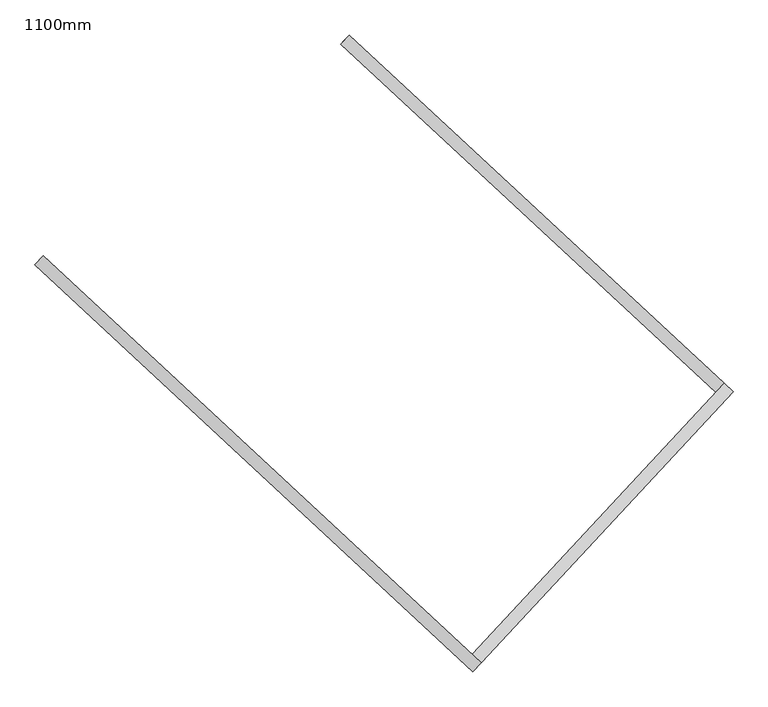
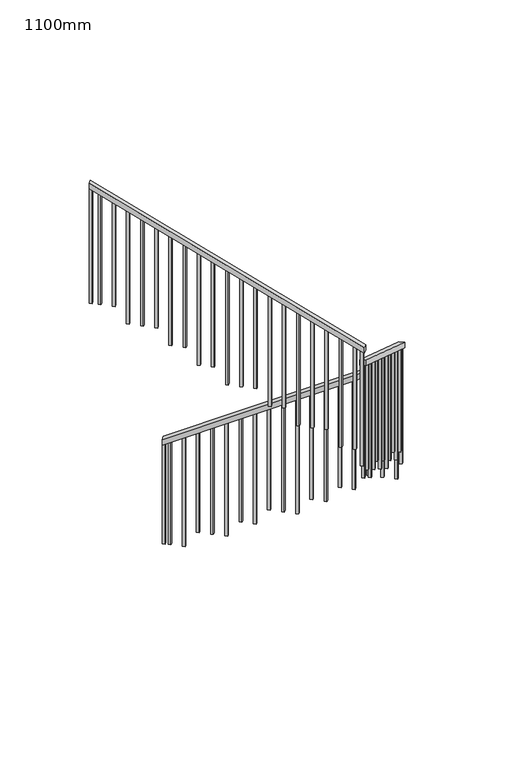
"""IFC4 building model written with IfcOpenShell, lengths in millimetres: railing geometry, 1100mm."""

import ifcopenshell
import ifcopenshell.guid

model = None  # the IFC model being written
_history = None  # IfcOwnerHistory: only IFC2X3 demands one
_inside = {}  # id of a spatial element -> (the spatial element, [elements in it])
_under = {}  # id of a project, library or spatial element -> (it, [spatial elements below it])
_declared = {}  # id of a project -> (the project, [libraries it declares])
_typed = {}  # id of a type object -> (the type object, [elements of that type])
_made_of = {}  # id of a material, layer set ... -> (it, [elements and type objects made of it])


def new_model(schema):
    """Start an empty IFC model of exactly this schema.

    Asked for "IFC4X3", IfcOpenShell would pick the latest addendum, in which some entities
    have other attributes; the version numbers below select the first issue.
    IFC2X3 requires an IfcOwnerHistory on every rooted entity: one is made here for all.
    """
    global model, _history
    if schema == "IFC4X3":
        model = ifcopenshell.file(schema_version=(4, 3, 0, 0))
    else:
        model = ifcopenshell.file(schema=schema)
    _inside.clear()
    _under.clear()
    _declared.clear()
    _typed.clear()
    _made_of.clear()
    _history = None
    if model.schema == "IFC2X3":
        org = make("IfcOrganization", Name="unknown")
        user = make(
            "IfcPersonAndOrganization",
            ThePerson=make("IfcPerson", FamilyName="unknown"),
            TheOrganization=org,
        )
        app = make(
            "IfcApplication",
            ApplicationDeveloper=org,
            Version="unknown",
            ApplicationFullName="unknown",
            ApplicationIdentifier="unknown",
        )
        _history = make(
            "IfcOwnerHistory",
            OwningUser=user,
            OwningApplication=app,
            ChangeAction="ADDED",
            CreationDate=0,
        )
    return model


def make(cls, **values):
    """One entity of the class cls with the attributes given. An attribute that is None is left unset."""
    return model.create_entity(
        cls, **{name: value for name, value in values.items() if value is not None}
    )


def rooted(cls, **values):
    """An entity with a GlobalId (a new one), such as an element, a storey or a relation."""
    return make(cls, GlobalId=ifcopenshell.guid.new(), OwnerHistory=_history, **values)


def si_unit(unit_type, name, prefix=None):
    """IfcSIUnit, for example si_unit("LENGTHUNIT", "METRE", prefix="MILLI")."""
    return make("IfcSIUnit", UnitType=unit_type, Prefix=prefix, Name=name)


def assignment(units):
    """IfcUnitAssignment: the units of a project."""
    return None if units is None else make("IfcUnitAssignment", Units=units)


def point(xyz):
    """IfcCartesianPoint."""
    return None if xyz is None else make("IfcCartesianPoint", Coordinates=xyz)


def direction(xyz):
    """IfcDirection."""
    return None if xyz is None else make("IfcDirection", DirectionRatios=xyz)


def frame(location, z_axis=None, x_axis=None):
    """IfcAxis2Placement3D, a coordinate frame: its origin and axes. An axis left out is left unset."""
    return make(
        "IfcAxis2Placement3D",
        Location=point(location),
        Axis=direction(z_axis),
        RefDirection=direction(x_axis),
    )


def origin():
    """The frame at (0, 0, 0) with its axes left unset."""
    return frame((0.0, 0.0, 0.0))


def place(relative_to, where):
    """IfcLocalPlacement: puts the frame where relative to a parent placement (None: the world)."""
    return make(
        "IfcLocalPlacement", PlacementRelTo=relative_to, RelativePlacement=where
    )


def context(
    kind, dimensions, precision=None, world=None, true_north=None, identifier=None
):
    """IfcGeometricRepresentationContext, for example the 3D "Model" context."""
    return make(
        "IfcGeometricRepresentationContext",
        ContextIdentifier=identifier,
        ContextType=kind,
        CoordinateSpaceDimension=dimensions,
        Precision=precision,
        WorldCoordinateSystem=world,
        TrueNorth=true_north,
    )


def project(units=None, contexts=None):
    """IfcProject with its units and contexts."""
    return rooted(
        "IfcProject",
        Name="project",
        RepresentationContexts=contexts,
        UnitsInContext=assignment(units),
    )


def spatial(cls, under=None, at=None, **own):
    """A site, building, storey or space (cls), placed at a placement, below another one or the project."""
    s = rooted(cls, ObjectPlacement=at, **own)
    if under is not None:
        _under.setdefault(under.id(), (under, []))[1].append(s)
    return s


def polyline(points):
    """IfcPolyline through the points."""
    return make("IfcPolyline", Points=[point(p) for p in points])


def outline(outer, holes=None, kind="AREA"):
    """IfcArbitraryClosedProfileDef: a profile drawn as a closed curve; with holes, ...WithVoids."""
    if holes is None:
        return make("IfcArbitraryClosedProfileDef", ProfileType=kind, OuterCurve=outer)
    return make(
        "IfcArbitraryProfileDefWithVoids",
        ProfileType=kind,
        OuterCurve=outer,
        InnerCurves=holes,
    )


def extrude(swept, where, along, depth):
    """IfcExtrudedAreaSolid: the profile swept, set in the frame where, extruded along a direction by depth."""
    return make(
        "IfcExtrudedAreaSolid",
        SweptArea=swept,
        Position=where,
        ExtrudedDirection=direction(along),
        Depth=depth,
    )


def shape(context_of_items, identifier, shape_type, items):
    """IfcShapeRepresentation: the items that make up one representation, for example the "Body"."""
    return make(
        "IfcShapeRepresentation",
        ContextOfItems=context_of_items,
        RepresentationIdentifier=identifier,
        RepresentationType=shape_type,
        Items=items,
    )


def source(mapping_origin, context_of_items, identifier, shape_type, items):
    """IfcRepresentationMap: a shape defined once, which mapped items show again and again."""
    return make(
        "IfcRepresentationMap",
        MappingOrigin=mapping_origin,
        MappedRepresentation=shape(context_of_items, identifier, shape_type, items),
    )


def transform(
    local_origin,
    x_axis=None,
    y_axis=None,
    z_axis=None,
    scale=None,
    scale2=None,
    scale3=None,
    uniform=True,
):
    """IfcCartesianTransformationOperator3D, or its non-uniform kind. x_axis, y_axis, z_axis: its Axis1, 2, 3."""
    if uniform:
        return make(
            "IfcCartesianTransformationOperator3D",
            Axis1=direction(x_axis),
            Axis2=direction(y_axis),
            LocalOrigin=point(local_origin),
            Scale=scale,
            Axis3=direction(z_axis),
        )
    return make(
        "IfcCartesianTransformationOperator3DnonUniform",
        Axis1=direction(x_axis),
        Axis2=direction(y_axis),
        LocalOrigin=point(local_origin),
        Scale=scale,
        Axis3=direction(z_axis),
        Scale2=scale2,
        Scale3=scale3,
    )


def mapped(mapping_source, mapping_target):
    """IfcMappedItem: shows the shape of a source again, moved by a transform."""
    return make(
        "IfcMappedItem", MappingSource=mapping_source, MappingTarget=mapping_target
    )


def made_of(thing, what):
    """Note that an element or type object is made of a material, layer set ...; save() writes the relation."""
    if what is not None:
        _made_of.setdefault(what.id(), (what, []))[1].append(thing)
    return thing


def element(
    cls,
    number,
    at=None,
    inside=None,
    cuts=None,
    type_object=None,
    material=None,
    context=None,
    identifier="Body",
    shape_type=None,
    held_by="IfcProductDefinitionShape",
    body=None,
    shapes=None,
    **own,
):
    """One element of the class cls, such as IfcWall. Its Tag is "e" and its number.

    at: its placement. inside: the storey or other place that contains it. cuts: it is an
    opening in that element (IfcRelVoidsElement). A single representation is given by context,
    identifier, shape_type and body (its items); several are given by shapes. held_by: the class
    of the entity that holds the representations. save() writes the other relations.
    """
    e = rooted(cls, Tag="e%d" % number, ObjectPlacement=at, **own)
    if body is not None:
        shapes = [shape(context, identifier, shape_type, body)]
    if shapes is not None:
        e.Representation = make(held_by, Representations=shapes)
    if inside is not None:
        _inside.setdefault(inside.id(), (inside, []))[1].append(e)
    if cuts is not None:
        rooted(
            "IfcRelVoidsElement", RelatingBuildingElement=cuts, RelatedOpeningElement=e
        )
    if type_object is not None:
        _typed.setdefault(type_object.id(), (type_object, []))[1].append(e)
    return made_of(e, material)


def aggregate(whole, parts):
    """IfcRelAggregates: a whole, such as a stair, and the parts it consists of."""
    return rooted("IfcRelAggregates", RelatingObject=whole, RelatedObjects=parts)


def save(model, path):
    """Write the relations noted so far, then the file.

    IfcRelAggregates (storeys below a building ...), IfcRelContainedInSpatialStructure (elements
    in a storey), IfcRelDefinesByType, IfcRelAssociatesMaterial and IfcRelDeclares: one each for
    every whole, place, type object, material and project.
    """
    for whole, parts in _under.values():
        aggregate(whole, parts)
    for where, things in _inside.values():
        rooted(
            "IfcRelContainedInSpatialStructure",
            RelatedElements=things,
            RelatingStructure=where,
        )
    for kind, things in _typed.values():
        rooted("IfcRelDefinesByType", RelatedObjects=things, RelatingType=kind)
    for what, things in _made_of.values():
        rooted("IfcRelAssociatesMaterial", RelatedObjects=things, RelatingMaterial=what)
    for by, libraries in _declared.values():
        rooted("IfcRelDeclares", RelatingContext=by, RelatedDefinitions=libraries)
    model.write(path)


def railing_1100mm_e4efd6de(model_context):
    return source(origin(), model_context, "Body", "SweptSolid", [
        extrude(outline(polyline([(27.7777778, -50.0000001), (0.0, 0.0), (2374.1723105, 0.0), (2401.9500883, -50.0000001), (27.7777778, -50.0000001)])), frame((-224137.7930562, 1139.9900228, 9889.4687214), z_axis=(0.6805831972167078, 0.732670807161227, 0.0), x_axis=(0.6404695170817015, -0.5949367538529261, 0.48564293117894236)), (0.0, 0.0, 1.0), 50.0),
        extrude(outline(polyline([(-27.7777778, -50.0), (0.0, 0.0), (1716.853524, 0.0), (1689.0757462, -50.0000001), (-27.7777778, -50.0)])), frame((-222546.5453628, -269.8879642, 11265.8888889), z_axis=(-0.7326708071603808, 0.6805831972176187, 0.0), x_axis=(-0.5949367538540707, -0.6404695170813348, 0.4856429311780238)), (0.0, 0.0, 1.0), 50.0),
        extrude(outline(polyline([(-27.7777778, -50.0), (0.0, 0.0), (2774.5579271, 0.0), (2746.7801493, -50.0), (-27.7777778, -50.0)])), frame((-223601.9937851, -1406.113852, 12265.8888889), z_axis=(0.680583197216836, 0.7326708071611079, 0.0), x_axis=(-0.6404695170818686, 0.5949367538532909, 0.48564293117827506)), (0.0, 0.0, 1.0), 50.0),
        extrude(outline(polyline([(1260.6353881, -25.0), (106.9444445, -25.0), (93.0555556, 0.0), (1260.6353881, 0.0), (1260.6353881, -25.0)])), frame((-225315.2628919, 202.4150466, 13607.3020548), z_axis=(0.6805831972168364, 0.7326708071611077, 0.0), x_axis=(0.0, 0.0, -1.0)), (0.0, 0.0, 1.0), 25.0),
        extrude(outline(polyline([(1191.1909436, -25.0), (106.9444444, -25.0), (93.0555555, 0.0), (1191.1909436, 0.0), (1191.1909436, -25.0)])), frame((-225223.6790411, 117.3421469, 13537.8576103), z_axis=(0.6805831972168364, 0.7326708071611077, 0.0), x_axis=(0.0, 0.0, -1.0)), (0.0, 0.0, 1.0), 25.0),
        extrude(outline(polyline([(1288.4131659, -25.0000001), (106.9444445, -25.0000001), (93.0555556, 0.0), (1288.4131659, 0.0), (1288.4131659, -25.0000001)])), frame((-225132.0951902, 32.2692473, 13468.4131659), z_axis=(0.6805831972168364, 0.7326708071611077, 0.0), x_axis=(0.0, 0.0, -1.0)), (0.0, 0.0, 1.0), 25.0),
        extrude(outline(polyline([(1218.9687214, -25.0), (106.9444444, -25.0), (93.0555555, 0.0), (1218.9687214, 0.0), (1218.9687214, -25.0)])), frame((-225040.5113393, -52.8036524, 13398.9687214), z_axis=(0.6805831972168364, 0.7326708071611077, 0.0), x_axis=(0.0, 0.0, -1.0)), (0.0, 0.0, 1.0), 25.0),
        extrude(outline(polyline([(1149.524277, -25.0000001), (106.9444445, -25.0000001), (93.0555556, 0.0), (1149.524277, 0.0), (1149.524277, -25.0000001)])), frame((-224948.9274884, -137.876552, 13329.524277), z_axis=(0.6805831972168364, 0.7326708071611077, 0.0), x_axis=(0.0, 0.0, -1.0)), (0.0, 0.0, 1.0), 25.0),
        extrude(outline(polyline([(1246.7464992, -25.0), (106.9444444, -25.0), (93.0555555, 0.0), (1246.7464992, 0.0), (1246.7464992, -25.0)])), frame((-224857.3436375, -222.9494517, 13260.0798325), z_axis=(0.6805831972168364, 0.7326708071611077, 0.0), x_axis=(0.0, 0.0, -1.0)), (0.0, 0.0, 1.0), 25.0),
        extrude(outline(polyline([(1177.3020548, -25.0000001), (106.9444444, -25.0000001), (93.0555555, 0.0), (1177.3020548, 0.0), (1177.3020548, -25.0000001)])), frame((-224765.7597866, -308.0223513, 13190.6353881), z_axis=(0.6805831972168364, 0.7326708071611077, 0.0), x_axis=(0.0, 0.0, -1.0)), (0.0, 0.0, 1.0), 25.0),
        extrude(outline(polyline([(1274.524277, -25.0), (106.9444445, -25.0), (93.0555556, 0.0), (1274.524277, 0.0), (1274.524277, -25.0)])), frame((-224674.1759357, -393.095251, 13121.1909437), z_axis=(0.6805831972168364, 0.7326708071611077, 0.0), x_axis=(0.0, 0.0, -1.0)), (0.0, 0.0, 1.0), 25.0),
        extrude(outline(polyline([(1205.0798325, -25.0), (106.9444444, -25.0), (93.0555555, 0.0), (1205.0798325, 0.0), (1205.0798325, -25.0)])), frame((-224582.5920848, -478.1681507, 13051.7464992), z_axis=(0.6805831972168364, 0.7326708071611077, 0.0), x_axis=(0.0, 0.0, -1.0)), (0.0, 0.0, 1.0), 25.0),
        extrude(outline(polyline([(1302.3020548, -25.0), (106.9444445, -25.0), (93.0555556, 0.0), (1302.3020548, 0.0), (1302.3020548, -25.0)])), frame((-224491.0082339, -563.2410503, 12982.3020548), z_axis=(0.6805831972168364, 0.7326708071611077, 0.0), x_axis=(0.0, 0.0, -1.0)), (0.0, 0.0, 1.0), 25.0),
        extrude(outline(polyline([(1232.8576103, -25.0), (106.9444444, -25.0), (93.0555555, 0.0), (1232.8576103, 0.0), (1232.8576103, -25.0)])), frame((-224399.424383, -648.31395, 12912.8576103), z_axis=(0.6805831972168364, 0.7326708071611077, 0.0), x_axis=(0.0, 0.0, -1.0)), (0.0, 0.0, 1.0), 25.0),
        extrude(outline(polyline([(1163.4131659, -25.0), (106.9444445, -25.0), (93.0555556, 0.0), (1163.4131659, 0.0), (1163.4131659, -25.0)])), frame((-224307.8405321, -733.3868496, 12843.4131659), z_axis=(0.6805831972168364, 0.7326708071611077, 0.0), x_axis=(0.0, 0.0, -1.0)), (0.0, 0.0, 1.0), 25.0),
        extrude(outline(polyline([(1260.6353881, -25.0), (106.9444444, -25.0), (93.0555555, 0.0), (1260.6353881, 0.0), (1260.6353881, -25.0)])), frame((-224216.2566812, -818.4597493, 12773.9687214), z_axis=(0.6805831972168364, 0.7326708071611077, 0.0), x_axis=(0.0, 0.0, -1.0)), (0.0, 0.0, 1.0), 25.0),
        extrude(outline(polyline([(1191.1909437, -25.0), (106.9444445, -25.0), (93.0555556, 0.0), (1191.1909437, 0.0), (1191.1909437, -25.0)])), frame((-224124.6728303, -903.5326489, 12704.524277), z_axis=(0.6805831972168364, 0.7326708071611077, 0.0), x_axis=(0.0, 0.0, -1.0)), (0.0, 0.0, 1.0), 25.0),
        extrude(outline(polyline([(1288.4131658, -25.0), (106.9444444, -25.0), (93.0555555, 0.0), (1288.4131658, 0.0), (1288.4131658, -25.0)])), frame((-224033.0889794, -988.6055486, 12635.0798325), z_axis=(0.6805831972168364, 0.7326708071611077, 0.0), x_axis=(0.0, 0.0, -1.0)), (0.0, 0.0, 1.0), 25.0),
        extrude(outline(polyline([(1218.9687214, -25.0), (106.9444444, -25.0), (93.0555556, 0.0), (1218.9687214, 0.0), (1218.9687214, -25.0)])), frame((-223941.5051285, -1073.6784482, 12565.6353881), z_axis=(0.6805831972168364, 0.7326708071611077, 0.0), x_axis=(0.0, 0.0, -1.0)), (0.0, 0.0, 1.0), 25.0),
        extrude(outline(polyline([(1149.524277, -25.0), (106.9444445, -25.0), (93.0555556, 0.0), (1149.524277, 0.0), (1149.524277, -25.0)])), frame((-223849.9212776, -1158.7513479, 12496.1909437), z_axis=(0.6805831972168364, 0.7326708071611077, 0.0), x_axis=(0.0, 0.0, -1.0)), (0.0, 0.0, 1.0), 25.0),
        extrude(outline(polyline([(1246.7464992, -25.0), (106.9444444, -25.0), (93.0555555, 0.0), (1246.7464992, 0.0), (1246.7464992, -25.0)])), frame((-223758.3374267, -1243.8242475, 12426.7464992), z_axis=(0.6805831972168364, 0.7326708071611077, 0.0), x_axis=(0.0, 0.0, -1.0)), (0.0, 0.0, 1.0), 25.0),
        extrude(outline(polyline([(1177.3020548, -24.9999999), (106.9444445, -24.9999999), (93.0555556, 0.0), (1177.3020548, 0.0), (1177.3020548, -24.9999999)])), frame((-223666.7535758, -1328.8971472, 12357.3020548), z_axis=(0.6805831972168364, 0.7326708071611077, 0.0), x_axis=(0.0, 0.0, -1.0)), (0.0, 0.0, 1.0), 25.0),
        extrude(outline(polyline([(1274.524277, -24.9999999), (106.9444445, -24.9999999), (93.0555556, 0.0), (1274.524277, 0.0), (1274.524277, -24.9999999)])), frame((-223559.5639638, -1342.0701148, 12121.1909437), z_axis=(-0.7326708071603812, 0.6805831972176183, 0.0), x_axis=(0.0, 0.0, -1.0000000000000002)), (0.0, 0.0, 1.0), 25.0),
        extrude(outline(polyline([(1205.0798325, -25.0), (106.9444444, -25.0), (93.0555555, 0.0), (1205.0798325, 0.0), (1205.0798325, -25.0)])), frame((-223474.4910642, -1250.4862639, 12051.7464992), z_axis=(-0.7326708071603812, 0.6805831972176183, 0.0), x_axis=(0.0, 0.0, -1.0000000000000002)), (0.0, 0.0, 1.0), 25.0),
        extrude(outline(polyline([(1302.3020548, -24.9999999), (106.9444445, -24.9999999), (93.0555556, 0.0), (1302.3020548, 0.0), (1302.3020548, -24.9999999)])), frame((-223389.4181645, -1158.902413, 11982.3020548), z_axis=(-0.7326708071603812, 0.6805831972176183, 0.0), x_axis=(0.0, 0.0, -1.0000000000000002)), (0.0, 0.0, 1.0), 25.0),
        extrude(outline(polyline([(1232.8576103, -25.0000001), (106.9444444, -25.0000001), (93.0555555, 0.0), (1232.8576103, 0.0), (1232.8576103, -25.0000001)])), frame((-223304.3452649, -1067.3185622, 11912.8576103), z_axis=(-0.7326708071603812, 0.6805831972176183, 0.0), x_axis=(0.0, 0.0, -1.0000000000000002)), (0.0, 0.0, 1.0), 25.0),
        extrude(outline(polyline([(1163.4131659, -25.0), (106.9444445, -25.0), (93.0555556, 0.0), (1163.4131659, 0.0), (1163.4131659, -25.0)])), frame((-223219.2723652, -975.7347113, 11843.4131659), z_axis=(-0.7326708071603812, 0.6805831972176183, 0.0), x_axis=(0.0, 0.0, -1.0000000000000002)), (0.0, 0.0, 1.0), 25.0),
        extrude(outline(polyline([(1260.6353881, -25.0000001), (106.9444444, -25.0000001), (93.0555555, 0.0), (1260.6353881, 0.0), (1260.6353881, -25.0000001)])), frame((-223134.1994656, -884.1508604, 11773.9687214), z_axis=(-0.7326708071603812, 0.6805831972176183, 0.0), x_axis=(0.0, 0.0, -1.0000000000000002)), (0.0, 0.0, 1.0), 25.0),
        extrude(outline(polyline([(1191.1909437, -25.0), (106.9444445, -25.0), (93.0555556, 0.0), (1191.1909437, 0.0), (1191.1909437, -25.0)])), frame((-223049.1265659, -792.5670095, 11704.524277), z_axis=(-0.7326708071603812, 0.6805831972176183, 0.0), x_axis=(0.0, 0.0, -1.0000000000000002)), (0.0, 0.0, 1.0), 25.0),
        extrude(outline(polyline([(1288.4131658, -25.0000001), (106.9444444, -25.0000001), (93.0555555, 0.0), (1288.4131658, 0.0), (1288.4131658, -25.0000001)])), frame((-222964.0536663, -700.9831586, 11635.0798325), z_axis=(-0.7326708071603812, 0.6805831972176183, 0.0), x_axis=(0.0, 0.0, -1.0000000000000002)), (0.0, 0.0, 1.0), 25.0),
        extrude(outline(polyline([(1218.9687214, -25.0), (106.9444444, -25.0), (93.0555556, 0.0), (1218.9687214, 0.0), (1218.9687214, -25.0)])), frame((-222878.9807666, -609.3993077, 11565.6353881), z_axis=(-0.7326708071603812, 0.6805831972176183, 0.0), x_axis=(0.0, 0.0, -1.0000000000000002)), (0.0, 0.0, 1.0), 25.0),
        extrude(outline(polyline([(1149.524277, -25.0000001), (106.9444445, -25.0000001), (93.0555556, 0.0), (1149.524277, 0.0), (1149.524277, -25.0000001)])), frame((-222793.907867, -517.8154568, 11496.1909437), z_axis=(-0.7326708071603812, 0.6805831972176183, 0.0), x_axis=(0.0, 0.0, -1.0000000000000002)), (0.0, 0.0, 1.0), 25.0),
        extrude(outline(polyline([(1246.7464992, -25.0), (106.9444444, -25.0), (93.0555555, 0.0), (1246.7464992, 0.0), (1246.7464992, -25.0)])), frame((-222708.8349673, -426.2316059, 11426.7464992), z_axis=(-0.7326708071603812, 0.6805831972176183, 0.0), x_axis=(0.0, 0.0, -1.0000000000000002)), (0.0, 0.0, 1.0), 25.0),
        extrude(outline(polyline([(1177.3020548, -25.0), (106.9444445, -25.0), (93.0555556, 0.0), (1177.3020548, 0.0), (1177.3020548, -25.0)])), frame((-222623.7620676, -334.647755, 11357.3020548), z_axis=(-0.7326708071603812, 0.6805831972176183, 0.0), x_axis=(0.0, 0.0, -1.0000000000000002)), (0.0, 0.0, 1.0), 25.0),
        extrude(outline(polyline([(106.9444445, 0.0), (1288.6353881, 0.0), (1288.6353881, -25.0000001), (93.0555556, -25.0000001), (106.9444445, 0.0)])), frame((-222627.3106116, -246.0471464, 11135.3020548), z_axis=(0.6805831972167099, 0.7326708071612251, 0.0), x_axis=(0.0, 0.0, -1.0)), (0.0, 0.0, 1.0), 25.0),
        extrude(outline(polyline([(106.9444444, 0.0), (1219.1909436, 0.0), (1219.1909436, -25.0), (93.0555555, -25.0), (106.9444444, 0.0)])), frame((-222718.8944625, -160.9742468, 11065.8576103), z_axis=(0.6805831972167099, 0.7326708071612251, 0.0), x_axis=(0.0, 0.0, -1.0)), (0.0, 0.0, 1.0), 25.0),
        extrude(outline(polyline([(106.9444445, 0.0), (1149.7464992, 0.0), (1149.7464992, -25.0000001), (93.0555556, -25.0000001), (106.9444445, 0.0)])), frame((-222810.4783134, -75.9013471, 10996.4131659), z_axis=(0.6805831972167099, 0.7326708071612251, 0.0), x_axis=(0.0, 0.0, -1.0)), (0.0, 0.0, 1.0), 25.0),
        extrude(outline(polyline([(106.9444444, 0.0), (1246.9687214, 0.0), (1246.9687214, -25.0), (93.0555555, -25.0), (106.9444444, 0.0)])), frame((-222902.0621643, 9.1715525, 10926.9687214), z_axis=(0.6805831972167099, 0.7326708071612251, 0.0), x_axis=(0.0, 0.0, -1.0)), (0.0, 0.0, 1.0), 25.0),
        extrude(outline(polyline([(106.9444445, 0.0), (1177.524277, 0.0), (1177.524277, -25.0000001), (93.0555556, -25.0000001), (106.9444445, 0.0)])), frame((-222993.6460152, 94.2444522, 10857.524277), z_axis=(0.6805831972167099, 0.7326708071612251, 0.0), x_axis=(0.0, 0.0, -1.0)), (0.0, 0.0, 1.0), 25.0),
        extrude(outline(polyline([(106.9444444, 0.0), (1274.7464992, 0.0), (1274.7464992, -25.0), (93.0555555, -25.0), (106.9444444, 0.0)])), frame((-223085.2298661, 179.3173518, 10788.0798325), z_axis=(0.6805831972167099, 0.7326708071612251, 0.0), x_axis=(0.0, 0.0, -1.0)), (0.0, 0.0, 1.0), 25.0),
        extrude(outline(polyline([(106.9444444, 0.0), (1205.3020548, 0.0), (1205.3020548, -25.0000001), (93.0555556, -25.0000001), (106.9444444, 0.0)])), frame((-223176.813717, 264.3902515, 10718.6353881), z_axis=(0.6805831972167099, 0.7326708071612251, 0.0), x_axis=(0.0, 0.0, -1.0)), (0.0, 0.0, 1.0), 25.0),
        extrude(outline(polyline([(106.9444445, 0.0), (1302.524277, 0.0), (1302.524277, -25.0), (93.0555556, -25.0), (106.9444445, 0.0)])), frame((-223268.3975679, 349.4631511, 10649.1909437), z_axis=(0.6805831972167099, 0.7326708071612251, 0.0), x_axis=(0.0, 0.0, -1.0)), (0.0, 0.0, 1.0), 25.0),
        extrude(outline(polyline([(106.9444444, 0.0), (1233.0798325, 0.0), (1233.0798325, -25.0), (93.0555555, -25.0), (106.9444444, 0.0)])), frame((-223359.9814188, 434.5360508, 10579.7464992), z_axis=(0.6805831972167099, 0.7326708071612251, 0.0), x_axis=(0.0, 0.0, -1.0)), (0.0, 0.0, 1.0), 25.0),
        extrude(outline(polyline([(106.9444445, 0.0), (1163.6353881, 0.0), (1163.6353881, -25.0), (93.0555556, -25.0), (106.9444445, 0.0)])), frame((-223451.5652697, 519.6089504, 10510.3020548), z_axis=(0.6805831972167099, 0.7326708071612251, 0.0), x_axis=(0.0, 0.0, -1.0)), (0.0, 0.0, 1.0), 25.0),
        extrude(outline(polyline([(106.9444444, 0.0), (1260.8576103, 0.0), (1260.8576103, -24.9999999), (93.0555555, -24.9999999), (106.9444444, 0.0)])), frame((-223543.1491205, 604.6818501, 10440.8576103), z_axis=(0.6805831972167099, 0.7326708071612251, 0.0), x_axis=(0.0, 0.0, -1.0)), (0.0, 0.0, 1.0), 25.0),
        extrude(outline(polyline([(106.9444445, 0.0), (1191.4131659, 0.0), (1191.4131659, -24.9999999), (93.0555556, -24.9999999), (106.9444445, 0.0)])), frame((-223634.7329714, 689.7547497, 10371.4131659), z_axis=(0.6805831972167099, 0.7326708071612251, 0.0), x_axis=(0.0, 0.0, -1.0)), (0.0, 0.0, 1.0), 25.0),
        extrude(outline(polyline([(106.9444444, 0.0), (1288.6353881, 0.0), (1288.6353881, -24.9999999), (93.0555555, -24.9999999), (106.9444444, 0.0)])), frame((-223726.3168223, 774.8276494, 10301.9687214), z_axis=(0.6805831972167099, 0.7326708071612251, 0.0), x_axis=(0.0, 0.0, -1.0)), (0.0, 0.0, 1.0), 25.0),
        extrude(outline(polyline([(106.9444445, 0.0), (1219.1909437, 0.0), (1219.1909437, -24.9999999), (93.0555556, -24.9999999), (106.9444445, 0.0)])), frame((-223817.9006732, 859.900549, 10232.524277), z_axis=(0.6805831972167099, 0.7326708071612251, 0.0), x_axis=(0.0, 0.0, -1.0)), (0.0, 0.0, 1.0), 25.0),
        extrude(outline(polyline([(106.9444444, 0.0), (1149.7464992, 0.0), (1149.7464992, -25.0), (93.0555555, -25.0), (106.9444444, 0.0)])), frame((-223909.4845241, 944.9734487, 10163.0798325), z_axis=(0.6805831972167099, 0.7326708071612251, 0.0), x_axis=(0.0, 0.0, -1.0)), (0.0, 0.0, 1.0), 25.0),
        extrude(outline(polyline([(106.9444444, 0.0), (1246.9687214, 0.0), (1246.9687214, -25.0), (93.0555556, -25.0), (106.9444444, 0.0)])), frame((-224001.068375, 1030.0463483, 10093.6353881), z_axis=(0.6805831972167099, 0.7326708071612251, 0.0), x_axis=(0.0, 0.0, -1.0)), (0.0, 0.0, 1.0), 25.0),
        extrude(outline(polyline([(106.9444445, 0.0), (1177.524277, 0.0), (1177.524277, -25.0), (93.0555556, -25.0), (106.9444445, 0.0)])), frame((-224092.6522259, 1115.119248, 10024.1909437), z_axis=(0.6805831972167099, 0.7326708071612251, 0.0), x_axis=(0.0, 0.0, -1.0)), (0.0, 0.0, 1.0), 25.0),
        extrude(outline(polyline([(1309.2464993, -25.0), (106.9444445, -25.0), (93.0555556, 0.0), (1309.2464993, 0.0), (1309.2464993, -25.0)])), frame((-223620.9616504, -1371.433597, 12322.5798326), z_axis=(0.6805831972168364, 0.7326708071611077, 0.0), x_axis=(0.0, 0.0, -1.0)), (0.0, 0.0, 1.0), 25.0),
        extrude(outline(polyline([(1309.2464993, -24.9999999), (106.9444445, -24.9999999), (93.0555556, 0.0), (1309.2464993, 0.0), (1309.2464993, -24.9999999)])), frame((-222581.2256178, -288.8558295, 11322.5798326), z_axis=(-0.7326708071603812, 0.6805831972176183, 0.0), x_axis=(0.0, 0.0, -1.0000000000000002)), (0.0, 0.0, 1.0), 25.0),
        extrude(outline(polyline([(1302.524277, -25.0), (106.9444445, -25.0), (93.0555556, 0.0), (1302.524277, 0.0), (1302.524277, -25.0)])), frame((-225370.5062708, 253.7310196, 13649.1909437), z_axis=(0.6805831972168364, 0.7326708071611077, 0.0), x_axis=(0.0, 0.0, -1.0)), (0.0, 0.0, 1.0), 25.0),
        extrude(outline(polyline([(106.9444445, 0.0), (1149.7464992, 0.0), (1149.7464992, -25.0000001), (93.0555556, -25.0000001), (106.9444445, 0.0)])), frame((-224129.2857663, 1149.1484079, 9996.4131659), z_axis=(0.6805831972167099, 0.7326708071612251, 0.0), x_axis=(0.0, 0.0, -1.0)), (0.0, 0.0, 1.0), 25.0),
    ])


if __name__ == "__main__":
    model = new_model("IFC4")
    model_context = context("Model", 3, world=origin())
    ifc_project = project(units=[si_unit("LENGTHUNIT", "METRE", prefix="MILLI")], contexts=[model_context])
    site = spatial("IfcSite", under=ifc_project)
    building = spatial("IfcBuilding", under=site)
    placement = place(None, origin())
    railing_1100mm_shape = railing_1100mm_e4efd6de(model_context)
    element("IfcRailing", 1, ObjectType="1100mm", at=placement, inside=building, context=model_context, shape_type="MappedRepresentation", body=[
        mapped(railing_1100mm_shape, transform((0.0, 0.0, 0.0), x_axis=(1.0, 0.0, 0.0), y_axis=(0.0, 1.0, 0.0), z_axis=(0.0, 0.0, 1.0))),
    ])
    save(model, "model.ifc")
